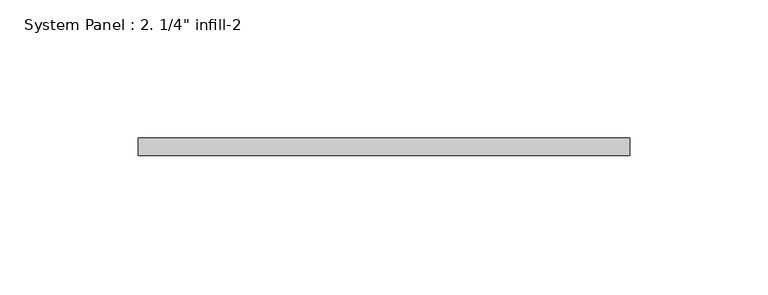
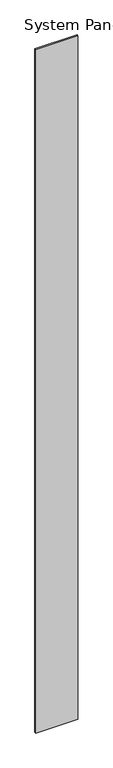
"""IFC4 building model written with IfcOpenShell, lengths in millimetres: plate geometry."""

import ifcopenshell
import ifcopenshell.guid

model = None  # the IFC model being written
_history = None  # IfcOwnerHistory: only IFC2X3 demands one
_inside = {}  # id of a spatial element -> (the spatial element, [elements in it])
_under = {}  # id of a project, library or spatial element -> (it, [spatial elements below it])
_declared = {}  # id of a project -> (the project, [libraries it declares])
_typed = {}  # id of a type object -> (the type object, [elements of that type])
_made_of = {}  # id of a material, layer set ... -> (it, [elements and type objects made of it])


def new_model(schema):
    """Start an empty IFC model of exactly this schema.

    Asked for "IFC4X3", IfcOpenShell would pick the latest addendum, in which some entities
    have other attributes; the version numbers below select the first issue.
    IFC2X3 requires an IfcOwnerHistory on every rooted entity: one is made here for all.
    """
    global model, _history
    if schema == "IFC4X3":
        model = ifcopenshell.file(schema_version=(4, 3, 0, 0))
    else:
        model = ifcopenshell.file(schema=schema)
    _inside.clear()
    _under.clear()
    _declared.clear()
    _typed.clear()
    _made_of.clear()
    _history = None
    if model.schema == "IFC2X3":
        org = make("IfcOrganization", Name="unknown")
        user = make(
            "IfcPersonAndOrganization",
            ThePerson=make("IfcPerson", FamilyName="unknown"),
            TheOrganization=org,
        )
        app = make(
            "IfcApplication",
            ApplicationDeveloper=org,
            Version="unknown",
            ApplicationFullName="unknown",
            ApplicationIdentifier="unknown",
        )
        _history = make(
            "IfcOwnerHistory",
            OwningUser=user,
            OwningApplication=app,
            ChangeAction="ADDED",
            CreationDate=0,
        )
    return model


def make(cls, **values):
    """One entity of the class cls with the attributes given. An attribute that is None is left unset."""
    return model.create_entity(
        cls, **{name: value for name, value in values.items() if value is not None}
    )


def rooted(cls, **values):
    """An entity with a GlobalId (a new one), such as an element, a storey or a relation."""
    return make(cls, GlobalId=ifcopenshell.guid.new(), OwnerHistory=_history, **values)


def si_unit(unit_type, name, prefix=None):
    """IfcSIUnit, for example si_unit("LENGTHUNIT", "METRE", prefix="MILLI")."""
    return make("IfcSIUnit", UnitType=unit_type, Prefix=prefix, Name=name)


def assignment(units):
    """IfcUnitAssignment: the units of a project."""
    return None if units is None else make("IfcUnitAssignment", Units=units)


def point(xyz):
    """IfcCartesianPoint."""
    return None if xyz is None else make("IfcCartesianPoint", Coordinates=xyz)


def direction(xyz):
    """IfcDirection."""
    return None if xyz is None else make("IfcDirection", DirectionRatios=xyz)


def frame(location, z_axis=None, x_axis=None):
    """IfcAxis2Placement3D, a coordinate frame: its origin and axes. An axis left out is left unset."""
    return make(
        "IfcAxis2Placement3D",
        Location=point(location),
        Axis=direction(z_axis),
        RefDirection=direction(x_axis),
    )


def origin():
    """The frame at (0, 0, 0) with its axes left unset."""
    return frame((0.0, 0.0, 0.0))


def origin_with_axes():
    """The frame at (0, 0, 0) with the z axis (0, 0, 1) and the x axis (1, 0, 0) written out."""
    return frame((0.0, 0.0, 0.0), z_axis=(0.0, 0.0, 1.0), x_axis=(1.0, 0.0, 0.0))


def place(relative_to, where):
    """IfcLocalPlacement: puts the frame where relative to a parent placement (None: the world)."""
    return make(
        "IfcLocalPlacement", PlacementRelTo=relative_to, RelativePlacement=where
    )


def context(
    kind, dimensions, precision=None, world=None, true_north=None, identifier=None
):
    """IfcGeometricRepresentationContext, for example the 3D "Model" context."""
    return make(
        "IfcGeometricRepresentationContext",
        ContextIdentifier=identifier,
        ContextType=kind,
        CoordinateSpaceDimension=dimensions,
        Precision=precision,
        WorldCoordinateSystem=world,
        TrueNorth=true_north,
    )


def project(units=None, contexts=None):
    """IfcProject with its units and contexts."""
    return rooted(
        "IfcProject",
        Name="project",
        RepresentationContexts=contexts,
        UnitsInContext=assignment(units),
    )


def spatial(cls, under=None, at=None, **own):
    """A site, building, storey or space (cls), placed at a placement, below another one or the project."""
    s = rooted(cls, ObjectPlacement=at, **own)
    if under is not None:
        _under.setdefault(under.id(), (under, []))[1].append(s)
    return s


def polyline(points):
    """IfcPolyline through the points."""
    return make("IfcPolyline", Points=[point(p) for p in points])


def outline(outer, holes=None, kind="AREA"):
    """IfcArbitraryClosedProfileDef: a profile drawn as a closed curve; with holes, ...WithVoids."""
    if holes is None:
        return make("IfcArbitraryClosedProfileDef", ProfileType=kind, OuterCurve=outer)
    return make(
        "IfcArbitraryProfileDefWithVoids",
        ProfileType=kind,
        OuterCurve=outer,
        InnerCurves=holes,
    )


def extrude(swept, where, along, depth):
    """IfcExtrudedAreaSolid: the profile swept, set in the frame where, extruded along a direction by depth."""
    return make(
        "IfcExtrudedAreaSolid",
        SweptArea=swept,
        Position=where,
        ExtrudedDirection=direction(along),
        Depth=depth,
    )


def shape(context_of_items, identifier, shape_type, items):
    """IfcShapeRepresentation: the items that make up one representation, for example the "Body"."""
    return make(
        "IfcShapeRepresentation",
        ContextOfItems=context_of_items,
        RepresentationIdentifier=identifier,
        RepresentationType=shape_type,
        Items=items,
    )


def source(mapping_origin, context_of_items, identifier, shape_type, items):
    """IfcRepresentationMap: a shape defined once, which mapped items show again and again."""
    return make(
        "IfcRepresentationMap",
        MappingOrigin=mapping_origin,
        MappedRepresentation=shape(context_of_items, identifier, shape_type, items),
    )


def transform(
    local_origin,
    x_axis=None,
    y_axis=None,
    z_axis=None,
    scale=None,
    scale2=None,
    scale3=None,
    uniform=True,
):
    """IfcCartesianTransformationOperator3D, or its non-uniform kind. x_axis, y_axis, z_axis: its Axis1, 2, 3."""
    if uniform:
        return make(
            "IfcCartesianTransformationOperator3D",
            Axis1=direction(x_axis),
            Axis2=direction(y_axis),
            LocalOrigin=point(local_origin),
            Scale=scale,
            Axis3=direction(z_axis),
        )
    return make(
        "IfcCartesianTransformationOperator3DnonUniform",
        Axis1=direction(x_axis),
        Axis2=direction(y_axis),
        LocalOrigin=point(local_origin),
        Scale=scale,
        Axis3=direction(z_axis),
        Scale2=scale2,
        Scale3=scale3,
    )


def mapped(mapping_source, mapping_target):
    """IfcMappedItem: shows the shape of a source again, moved by a transform."""
    return make(
        "IfcMappedItem", MappingSource=mapping_source, MappingTarget=mapping_target
    )


def made_of(thing, what):
    """Note that an element or type object is made of a material, layer set ...; save() writes the relation."""
    if what is not None:
        _made_of.setdefault(what.id(), (what, []))[1].append(thing)
    return thing


def element(
    cls,
    number,
    at=None,
    inside=None,
    cuts=None,
    type_object=None,
    material=None,
    context=None,
    identifier="Body",
    shape_type=None,
    held_by="IfcProductDefinitionShape",
    body=None,
    shapes=None,
    **own,
):
    """One element of the class cls, such as IfcWall. Its Tag is "e" and its number.

    at: its placement. inside: the storey or other place that contains it. cuts: it is an
    opening in that element (IfcRelVoidsElement). A single representation is given by context,
    identifier, shape_type and body (its items); several are given by shapes. held_by: the class
    of the entity that holds the representations. save() writes the other relations.
    """
    e = rooted(cls, Tag="e%d" % number, ObjectPlacement=at, **own)
    if body is not None:
        shapes = [shape(context, identifier, shape_type, body)]
    if shapes is not None:
        e.Representation = make(held_by, Representations=shapes)
    if inside is not None:
        _inside.setdefault(inside.id(), (inside, []))[1].append(e)
    if cuts is not None:
        rooted(
            "IfcRelVoidsElement", RelatingBuildingElement=cuts, RelatedOpeningElement=e
        )
    if type_object is not None:
        _typed.setdefault(type_object.id(), (type_object, []))[1].append(e)
    return made_of(e, material)


def aggregate(whole, parts):
    """IfcRelAggregates: a whole, such as a stair, and the parts it consists of."""
    return rooted("IfcRelAggregates", RelatingObject=whole, RelatedObjects=parts)


def save(model, path):
    """Write the relations noted so far, then the file.

    IfcRelAggregates (storeys below a building ...), IfcRelContainedInSpatialStructure (elements
    in a storey), IfcRelDefinesByType, IfcRelAssociatesMaterial and IfcRelDeclares: one each for
    every whole, place, type object, material and project.
    """
    for whole, parts in _under.values():
        aggregate(whole, parts)
    for where, things in _inside.values():
        rooted(
            "IfcRelContainedInSpatialStructure",
            RelatedElements=things,
            RelatingStructure=where,
        )
    for kind, things in _typed.values():
        rooted("IfcRelDefinesByType", RelatedObjects=things, RelatingType=kind)
    for what, things in _made_of.values():
        rooted("IfcRelAssociatesMaterial", RelatedObjects=things, RelatingMaterial=what)
    for by, libraries in _declared.values():
        rooted("IfcRelDeclares", RelatingContext=by, RelatedDefinitions=libraries)
    model.write(path)


def plate_f85be085(model_context):
    return source(origin(), model_context, "Body", "SweptSolid", [
        extrude(outline(polyline([(88.9, 0.0), (-88.9, 0.0), (-88.9, 6.35), (88.9, 6.35), (88.9, 0.0)])), origin_with_axes(), (0.0, 0.0, 1.0), 3048.0),
    ])


if __name__ == "__main__":
    model = new_model("IFC4")
    model_context = context("Model", 3, world=origin())
    ifc_project = project(units=[si_unit("LENGTHUNIT", "METRE", prefix="MILLI")], contexts=[model_context])
    site = spatial("IfcSite", under=ifc_project)
    building = spatial("IfcBuilding", under=site)
    placement = place(None, origin())
    plate_shape = plate_f85be085(model_context)
    element("IfcPlate", 1, ObjectType="System Panel : 2. 1/4\" infill-2", at=placement, inside=building, context=model_context, shape_type="MappedRepresentation", body=[
        mapped(plate_shape, transform((0.0, 0.0, 0.0), x_axis=(1.0, 0.0, 0.0), y_axis=(0.0, 1.0, 0.0), z_axis=(0.0, 0.0, 1.0))),
    ])
    save(model, "model.ifc")
